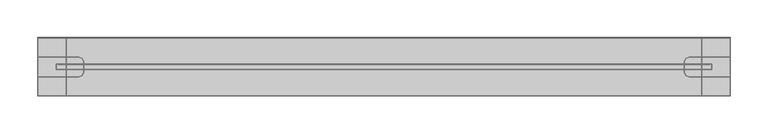
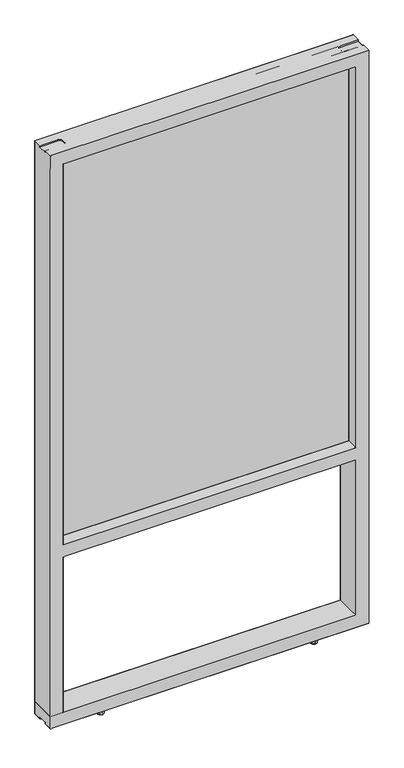
"""IFC4 building model written with IfcOpenShell, lengths in millimetres: furniture geometry."""

from ifc_helpers import new_model, si_unit, origin, place, context, project, spatial, triangles, source, transform, mapped, element, save


def furniture_7d5e2ed7(model_context):
    return source(origin(), model_context, "Body", "Tessellation", [
        triangles([(32.6390461, -41.2115288, 1716.5700771), (32.6390461, -41.2114789, 545.4015203), (891.0320223, -41.2114789, 545.4015203), (891.0320223, -41.2115288, 1716.5700771), (891.0320223, -34.9884757, 545.4015203), (32.6390461, -34.9884757, 545.4015203), (32.6390461, -34.9885279, 1716.5700771), (891.0320223, -34.9885279, 1716.5700771)], [[1, 2, 3], [1, 3, 4], [5, 6, 7], [5, 7, 8]], closed=False),
        triangles([(917.4484331, -76.1999319, 1705.9152042), (917.4480698, 0.0, 1705.9147682), (917.4480698, -24.8920012, 1738.4521717), (917.4480698, -51.308001, 1738.4521717), (43.3070132, -3.8e-06, 556.0817914), (43.3070132, -34.4678066, 556.0817914), (880.3645775, -34.4678294, 556.0818277), (880.3639961, -3.8e-06, 556.0817914), (43.3070132, -34.4678044, 543.3818398), (880.3639961, -34.4678044, 543.3818398), (43.3070132, -41.7322047, 543.3818398), (880.3639961, -41.7322047, 543.3818398), (43.3070132, -41.7322047, 556.0817914), (880.3639961, -41.7322047, 556.0817914), (43.3070132, -76.2000091, 556.0817914), (880.3639961, -76.2000091, 556.0817914), (43.3070132, -76.2000091, 518.9978268), (880.3639961, -76.2000091, 518.9978268), (43.3070132, 0.0, 518.9978268), (880.3639961, 0.0, 518.9978268), (43.306559, -41.7321593, 523.8246034), (43.306559, -34.4677612, 523.8246034), (30.6065757, -34.4677612, 523.8246034), (30.6065757, -41.7321593, 523.8246034), (30.6066665, -34.4676568, 1705.9152042), (43.3075946, -34.4677294, 1705.9152042), (30.6066665, -41.7320594, 1705.9152042), (43.3066771, -41.7320594, 1705.9152042), (43.3065272, 0.0, 49.784443), (43.3066771, 0.000145, 1705.9152042), (43.3065272, -76.2000091, 49.784443), (43.3066771, -76.1998592, 1705.9152042), (893.064529, -34.4678339, 523.8246034), (880.3645775, -34.4678339, 523.8246034), (893.064529, -41.732232, 523.8246034), (880.3645775, -41.732232, 523.8246034), (30.6065144, -34.4678021, 1718.6151558), (893.0644564, -34.4677294, 1718.6151558), (893.0644564, -41.732132, 1718.6151558), (30.6065144, -41.7322002, 1718.6151558), (893.0644564, -34.4677294, 1705.9152042), (893.0644564, -41.732132, 1705.9152042), (880.3635601, -34.4678021, 1705.9152042), (880.3644321, -41.732132, 1705.9152042), (880.3645775, -7.25e-05, 49.784443), (880.3644321, 7.25e-05, 1705.9152042), (880.3645775, -76.2000727, 49.784443), (6.2229997, -24.8920012, 12.6998494), (6.2229997, 0.0, 12.6998494), (917.4480698, 0.0, 12.6998494), (917.4480698, -24.8920012, 12.6998494), (863.4730213, -24.8920012, 12.6998494), (858.9828884, -26.7518736, 12.6998494), (64.6881482, -26.7518736, 12.6998494), (60.198038, -24.8920012, 12.6998494), (857.1230455, -31.242002, 12.6998494), (66.5480137, -31.242002, 12.6998494), (858.9828884, -49.4481309, 12.6998494), (64.6881482, -49.4481309, 12.6998494), (66.5480137, -44.9580025, 12.6998494), (857.1230455, -44.9580025, 12.6998494), (863.4730213, -51.308001, 12.6998494), (60.198038, -51.308001, 12.6998494), (6.2229997, -24.8920012, 1742.9988419), (917.4480698, -24.8920012, 1742.9988419), (917.4480698, 0.0, 1742.9988419), (6.2229997, 0.0, 1742.9988419), (64.6881482, -26.7518736, 1742.9988419), (858.9828884, -26.7518736, 1742.9988419), (863.4730213, -24.8920012, 1742.9988419), (60.198038, -24.8920012, 1742.9988419), (66.5480137, -31.242002, 1742.9988419), (857.1230455, -31.242002, 1742.9988419), (66.5480137, -44.9580025, 1742.9988419), (857.1230455, -44.9580025, 1742.9988419), (64.6881482, -49.4481309, 1742.9988419), (858.9828884, -49.4481309, 1742.9988419), (60.198038, -51.308001, 1742.9988419), (863.4730213, -51.308001, 1742.9988419), (6.2229997, -76.2000091, 1742.9988419), (917.4480698, -76.2000091, 1742.9988419), (917.4480698, -51.308001, 1742.9988419), (6.2229997, -51.308001, 1742.9988419), (64.6881482, -26.7518736, 1738.4521717), (64.6881482, -49.4481309, 1738.4521717), (66.5480137, -44.9580025, 1738.4521717), (66.5480137, -31.242002, 1738.4521717), (60.198038, -24.8920012, 1738.4521717), (60.198038, -51.308001, 1738.4521717), (6.2229997, -24.8920012, 1738.4521717), (6.2229997, -51.308001, 1738.4521717), (858.9828884, -26.7518736, 1738.4521717), (858.9828884, -49.4481309, 1738.4521717), (857.1230455, -44.9580025, 1738.4521717), (857.1230455, -31.242002, 1738.4521717), (863.4730213, -24.8920012, 1738.4521717), (863.4730213, -51.308001, 1738.4521717), (6.2225115, 0.0, 1705.9152042), (6.2225115, -76.2000091, 1705.9152042), (6.2226642, -76.2001453, 49.784443), (6.2226642, -0.000145, 49.784443), (917.4480698, -76.2000091, 49.7838344), (917.4485785, -7.25e-05, 49.784443), (880.3644321, -76.1999319, 1705.9152042), (917.4480698, -51.308001, 12.6998494), (917.4480698, -51.308001, 17.2464809), (863.4730213, -51.308001, 17.2464809), (858.9828884, -49.4481309, 17.2464809), (857.1230455, -44.9580025, 17.2464809), (858.9828884, -26.7518736, 17.2464809), (857.1230455, -31.242002, 17.2464809), (863.4730213, -24.8920012, 17.2464809), (917.4480698, -24.8920012, 17.2464809), (60.198038, -24.8920012, 17.2464809), (6.2229997, -24.8920012, 17.2464809), (64.6881482, -26.7518736, 17.2464809), (66.5480137, -31.242002, 17.2464809), (64.6881482, -49.4481309, 17.2464809), (66.5480137, -44.9580025, 17.2464809), (60.198038, -51.308001, 17.2464809), (6.2229997, -51.308001, 12.6998494), (6.2229997, -51.308001, 17.2464809), (917.4480698, -76.2000091, 12.6998494), (6.2229997, -76.2000091, 12.6998494)], [[1, 2, 3], [1, 3, 4], [5, 6, 7], [5, 7, 8], [9, 10, 7], [9, 7, 6], [9, 11, 12], [9, 12, 10], [13, 14, 12], [13, 12, 11], [13, 15, 16], [13, 16, 14], [17, 18, 16], [17, 16, 15], [17, 19, 20], [17, 20, 18], [5, 8, 20], [5, 20, 19], [21, 22, 23], [21, 23, 24], [25, 23, 26], [23, 22, 26], [25, 27, 24], [25, 24, 23], [28, 21, 24], [28, 24, 27], [26, 22, 29], [26, 29, 30], [21, 31, 29], [21, 29, 22], [32, 31, 21], [32, 21, 28], [33, 34, 35], [34, 36, 35], [37, 38, 39], [37, 39, 40], [37, 25, 41], [37, 41, 38], [40, 27, 25], [40, 25, 37], [40, 39, 42], [40, 42, 27], [38, 41, 39], [41, 42, 39], [34, 33, 41], [34, 41, 43], [35, 42, 41], [35, 41, 33], [35, 36, 44], [35, 44, 42], [45, 34, 43], [45, 43, 46], [45, 47, 36], [45, 36, 34], [48, 49, 50], [48, 50, 51], [52, 53, 54], [52, 54, 55], [56, 57, 54], [56, 54, 53], [58, 59, 60], [58, 60, 61], [58, 62, 63], [58, 63, 59], [64, 65, 66], [64, 66, 67], [68, 69, 70], [68, 70, 71], [68, 72, 73], [68, 73, 69], [74, 75, 73], [74, 73, 72], [74, 76, 77], [74, 77, 75], [78, 79, 77], [78, 77, 76], [80, 81, 82], [80, 82, 83], [84, 85, 86], [84, 86, 87], [84, 88, 85], [88, 89, 85], [90, 91, 89], [90, 89, 88], [83, 78, 89], [83, 89, 91], [76, 85, 89], [76, 89, 78], [76, 74, 86], [76, 86, 85], [72, 87, 74], [87, 86, 74], [72, 68, 84], [72, 84, 87], [71, 88, 68], [88, 84, 68], [71, 64, 90], [71, 90, 88], [92, 93, 94], [92, 94, 95], [92, 96, 97], [92, 97, 93], [97, 4, 3], [97, 3, 96], [1, 4, 82], [1, 82, 81], [97, 79, 82], [97, 82, 4], [97, 93, 77], [97, 77, 79], [94, 75, 77], [94, 77, 93], [94, 95, 73], [94, 73, 75], [73, 69, 95], [69, 92, 95], [92, 96, 70], [92, 70, 69], [3, 65, 70], [3, 70, 96], [3, 2, 66], [3, 66, 65], [98, 67, 66], [98, 66, 2], [98, 90, 64], [98, 64, 67], [98, 99, 91], [98, 91, 90], [91, 99, 80], [91, 80, 83], [80, 99, 1], [80, 1, 81], [99, 100, 31], [99, 31, 32], [99, 98, 101], [99, 101, 100], [30, 29, 101], [30, 101, 98], [2, 1, 102], [2, 102, 103], [36, 47, 104], [36, 104, 44], [46, 2, 103], [46, 103, 45], [47, 102, 1], [47, 1, 104], [105, 62, 106], [62, 107, 106], [58, 108, 107], [58, 107, 62], [58, 61, 108], [61, 109, 108], [56, 53, 110], [56, 110, 111], [52, 112, 53], [112, 110, 53], [52, 51, 113], [52, 113, 112], [48, 55, 114], [48, 114, 115], [54, 116, 55], [116, 114, 55], [54, 57, 117], [54, 117, 116], [60, 59, 118], [60, 118, 119], [63, 120, 118], [63, 118, 59], [63, 121, 122], [63, 122, 120], [115, 114, 120], [115, 120, 122], [116, 118, 114], [118, 120, 114], [116, 117, 119], [116, 119, 118], [57, 60, 119], [57, 119, 117], [57, 56, 61], [57, 61, 60], [111, 109, 56], [109, 61, 56], [111, 110, 108], [111, 108, 109], [112, 107, 108], [112, 108, 110], [112, 113, 106], [112, 106, 107], [123, 124, 121], [123, 121, 105], [102, 100, 124], [102, 124, 123], [124, 100, 122], [124, 122, 121], [101, 115, 122], [101, 122, 100], [101, 49, 48], [101, 48, 115], [101, 103, 50], [101, 50, 49], [113, 51, 50], [113, 50, 103], [102, 123, 105], [102, 105, 106], [113, 103, 102], [113, 102, 106], [101, 100, 102], [101, 102, 103]], closed=False),
        triangles([(772.5854004, -57.5500937, -0.0001014), (775.0499302, -63.4999803, -0.0001014), (760.685618, -57.5500937, -0.0001014), (766.6354729, -55.0855684, -0.0001014), (772.5854004, -69.4498715, -0.0001014), (758.2210882, -63.4999803, -0.0001014), (766.6354729, -71.9143922, -0.0001014), (760.685618, -69.4498715, -0.0001014), (773.6405685, -70.545971, 1.3910119), (776.5449697, -63.5341307, 1.3910119), (777.5574806, -63.4999985, 12.6998494), (774.358548, -71.2230191, 12.6998494), (766.6287146, -73.4503722, 1.3910119), (766.6355455, -74.4219972, 12.6998494), (759.6168606, -70.545971, 1.3910119), (758.9124704, -71.2230191, 12.6998494), (756.7124594, -63.5341307, 1.3910119), (755.7135378, -63.4999985, 12.6998494), (759.6168606, -56.5222903, 1.3910119), (758.9124704, -55.7769824, 12.6998494), (766.6287146, -53.6178936, 1.3910119), (766.6355455, -52.5779998, 12.6998494), (773.6405685, -56.5222903, 1.3910119), (774.358548, -55.7769824, 12.6998494), (772.5854004, -6.7500973, -0.0001014), (775.0499302, -12.6999856, -0.0001014), (760.685618, -6.7500973, -0.0001014), (766.6354729, -4.2855731, -0.0001014), (772.5854004, -18.6498723, -0.0001014), (758.2210882, -12.6999856, -0.0001014), (766.6354729, -21.1143975, -0.0001014), (760.685618, -18.6498723, -0.0001014), (773.6405685, -19.7459763, 1.3910119), (776.5449697, -12.734136, 1.3910119), (777.5574806, -12.7000038, 12.6998494), (774.358548, -20.4230221, 12.6998494), (766.6287146, -22.6503753, 1.3910119), (766.6355455, -23.6220025, 12.6998494), (759.6168606, -19.7459763, 1.3910119), (758.9124704, -20.4230221, 12.6998494), (756.7124594, -12.734136, 1.3910119), (755.7135378, -12.7000038, 12.6998494), (759.6168606, -5.7222956, 1.3910119), (758.9124704, -4.9769838, 12.6998494), (766.6287146, -2.8178958, 1.3910119), (766.6355455, -1.7780045, 12.6998494), (773.6405685, -5.7222956, 1.3910119), (774.358548, -4.9769838, 12.6998494), (162.9854004, -57.5500982, -0.0001014), (165.4499302, -63.4999894, -0.0001014), (151.0856271, -57.5500982, -0.0001014), (157.0355092, -55.0855775, -0.0001014), (162.9854004, -69.449876, -0.0001014), (148.6211064, -63.4999894, -0.0001014), (157.0355092, -71.9144013, -0.0001014), (151.0856271, -69.449876, -0.0001014), (164.0405685, -70.5459801, 1.3910119), (166.9449697, -63.5341398, 1.3910119), (167.9575351, -63.5000076, 12.6998494), (164.758548, -71.2230236, 12.6998494), (157.0287327, -73.4503768, 1.3910119), (157.0355274, -74.4220062, 12.6998494), (150.0168878, -70.5459801, 1.3910119), (149.3125068, -71.2230236, 12.6998494), (147.1124957, -63.5341398, 1.3910119), (146.1135287, -63.5000076, 12.6998494), (150.0168878, -56.5222994, 1.3910119), (149.3125068, -55.776987, 12.6998494), (157.0287327, -53.6178982, 1.3910119), (157.0355274, -52.5780089, 12.6998494), (164.0405685, -56.5222994, 1.3910119), (164.758548, -55.776987, 12.6998494), (162.9854186, -6.750116, -0.0001014), (165.4499302, -12.7000038, -0.0001014), (151.0856362, -6.750116, -0.0001014), (157.0355274, -4.2855919, -0.0001014), (162.9854186, -18.6498916, -0.0001014), (148.6211064, -12.7000038, -0.0001014), (157.0355274, -21.1144157, -0.0001014), (151.0856362, -18.6498916, -0.0001014), (164.0405685, -19.7459945, 1.3910119), (166.9449697, -12.7341541, 1.3910119), (167.9575351, -12.700022, 12.6998494), (164.758548, -20.4230426, 12.6998494), (157.0287327, -22.6503957, 1.3910119), (157.0355274, -23.6220206, 12.6998494), (150.0168969, -19.7459945, 1.3910119), (149.3125159, -20.4230426, 12.6998494), (147.1124957, -12.7341541, 1.3910119), (146.1135378, -12.700022, 12.6998494), (150.0168969, -5.7223138, 1.3910119), (149.3125159, -4.9770025, 12.6998494), (157.0287327, -2.8179146, 1.3910119), (157.0355274, -1.7780231, 12.6998494), (164.0405685, -5.7223138, 1.3910119), (164.758548, -4.9770025, 12.6998494)], [[1, 2, 3], [1, 3, 4], [5, 6, 2], [6, 3, 2], [5, 7, 8], [5, 8, 6], [9, 10, 11], [9, 11, 12], [13, 9, 12], [13, 12, 14], [15, 13, 14], [15, 14, 16], [17, 15, 16], [17, 16, 18], [19, 17, 18], [19, 18, 20], [21, 19, 20], [21, 20, 22], [23, 21, 24], [21, 22, 24], [10, 23, 11], [23, 24, 11], [5, 2, 10], [5, 10, 9], [7, 5, 9], [7, 9, 13], [8, 7, 13], [8, 13, 15], [6, 8, 17], [8, 15, 17], [3, 6, 17], [3, 17, 19], [4, 3, 19], [4, 19, 21], [1, 4, 23], [4, 21, 23], [2, 1, 23], [2, 23, 10], [25, 26, 27], [25, 27, 28], [29, 30, 26], [30, 27, 26], [29, 31, 32], [29, 32, 30], [33, 34, 35], [33, 35, 36], [37, 33, 36], [37, 36, 38], [39, 37, 38], [39, 38, 40], [41, 39, 40], [41, 40, 42], [43, 41, 42], [43, 42, 44], [45, 43, 44], [45, 44, 46], [47, 45, 48], [45, 46, 48], [34, 47, 35], [47, 48, 35], [29, 26, 34], [29, 34, 33], [31, 29, 33], [31, 33, 37], [32, 31, 37], [32, 37, 39], [30, 32, 41], [32, 39, 41], [27, 30, 41], [27, 41, 43], [28, 27, 43], [28, 43, 45], [25, 28, 45], [25, 45, 47], [26, 25, 47], [26, 47, 34], [49, 50, 51], [49, 51, 52], [53, 54, 51], [53, 51, 50], [53, 55, 56], [53, 56, 54], [57, 58, 59], [57, 59, 60], [61, 57, 60], [61, 60, 62], [63, 61, 62], [63, 62, 64], [65, 63, 64], [65, 64, 66], [67, 65, 66], [67, 66, 68], [69, 67, 68], [69, 68, 70], [71, 69, 70], [71, 70, 72], [58, 71, 59], [71, 72, 59], [53, 50, 58], [53, 58, 57], [55, 53, 57], [55, 57, 61], [56, 55, 61], [56, 61, 63], [54, 56, 65], [56, 63, 65], [51, 54, 67], [54, 65, 67], [52, 51, 67], [52, 67, 69], [49, 52, 71], [52, 69, 71], [50, 49, 71], [50, 71, 58], [73, 74, 75], [73, 75, 76], [77, 78, 74], [78, 75, 74], [77, 79, 80], [77, 80, 78], [81, 82, 83], [81, 83, 84], [85, 81, 84], [85, 84, 86], [87, 85, 86], [87, 86, 88], [89, 87, 88], [89, 88, 90], [91, 89, 90], [91, 90, 92], [93, 91, 92], [93, 92, 94], [95, 93, 94], [95, 94, 96], [82, 95, 83], [95, 96, 83], [77, 74, 82], [77, 82, 81], [79, 77, 81], [79, 81, 85], [80, 79, 85], [80, 85, 87], [78, 80, 89], [80, 87, 89], [75, 78, 89], [75, 89, 91], [76, 75, 91], [76, 91, 93], [73, 76, 95], [76, 93, 95], [74, 73, 95], [74, 95, 82]], closed=False),
    ])


if __name__ == "__main__":
    model = new_model("IFC4")
    model_context = context("Model", 3, world=origin())
    ifc_project = project(units=[si_unit("LENGTHUNIT", "METRE", prefix="MILLI")], contexts=[model_context])
    site = spatial("IfcSite", under=ifc_project)
    building = spatial("IfcBuilding", under=site)
    placement = place(None, origin())
    furniture_shape = furniture_7d5e2ed7(model_context)
    element("IfcFurniture", 1, at=placement, inside=building, context=model_context, shape_type="MappedRepresentation", body=[
        mapped(furniture_shape, transform((0.0, 0.0, 0.0), x_axis=(1.0, 0.0, 0.0), y_axis=(0.0, 1.0, 0.0), z_axis=(0.0, 0.0, 1.0))),
    ])
    save(model, "model.ifc")
